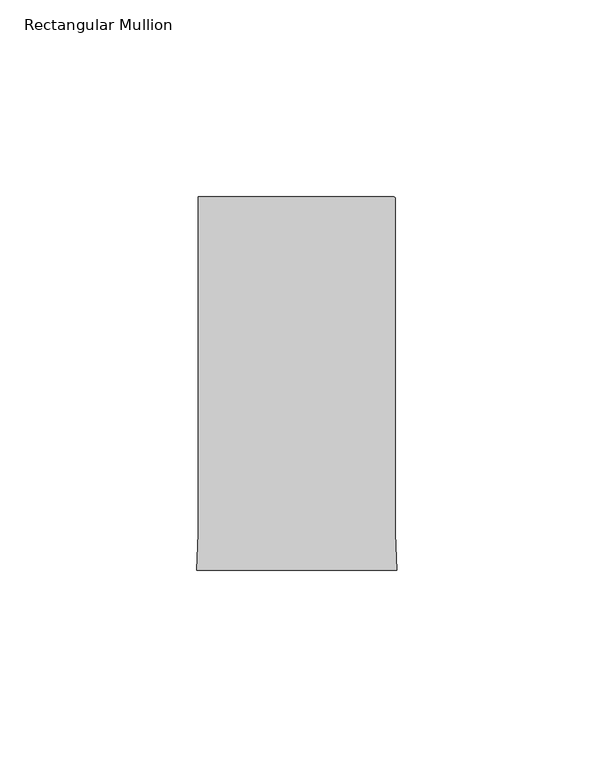
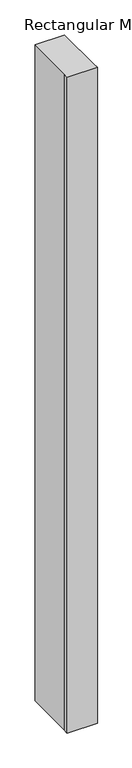
"""IFC4 building model written with IfcOpenShell, lengths in millimetres: member geometry, Rectangular Mullion."""

import ifcopenshell
import ifcopenshell.guid

model = None  # the IFC model being written
_history = None  # IfcOwnerHistory: only IFC2X3 demands one
_inside = {}  # id of a spatial element -> (the spatial element, [elements in it])
_under = {}  # id of a project, library or spatial element -> (it, [spatial elements below it])
_declared = {}  # id of a project -> (the project, [libraries it declares])
_typed = {}  # id of a type object -> (the type object, [elements of that type])
_made_of = {}  # id of a material, layer set ... -> (it, [elements and type objects made of it])


def new_model(schema):
    """Start an empty IFC model of exactly this schema.

    Asked for "IFC4X3", IfcOpenShell would pick the latest addendum, in which some entities
    have other attributes; the version numbers below select the first issue.
    IFC2X3 requires an IfcOwnerHistory on every rooted entity: one is made here for all.
    """
    global model, _history
    if schema == "IFC4X3":
        model = ifcopenshell.file(schema_version=(4, 3, 0, 0))
    else:
        model = ifcopenshell.file(schema=schema)
    _inside.clear()
    _under.clear()
    _declared.clear()
    _typed.clear()
    _made_of.clear()
    _history = None
    if model.schema == "IFC2X3":
        org = make("IfcOrganization", Name="unknown")
        user = make(
            "IfcPersonAndOrganization",
            ThePerson=make("IfcPerson", FamilyName="unknown"),
            TheOrganization=org,
        )
        app = make(
            "IfcApplication",
            ApplicationDeveloper=org,
            Version="unknown",
            ApplicationFullName="unknown",
            ApplicationIdentifier="unknown",
        )
        _history = make(
            "IfcOwnerHistory",
            OwningUser=user,
            OwningApplication=app,
            ChangeAction="ADDED",
            CreationDate=0,
        )
    return model


def make(cls, **values):
    """One entity of the class cls with the attributes given. An attribute that is None is left unset."""
    return model.create_entity(
        cls, **{name: value for name, value in values.items() if value is not None}
    )


def rooted(cls, **values):
    """An entity with a GlobalId (a new one), such as an element, a storey or a relation."""
    return make(cls, GlobalId=ifcopenshell.guid.new(), OwnerHistory=_history, **values)


def si_unit(unit_type, name, prefix=None):
    """IfcSIUnit, for example si_unit("LENGTHUNIT", "METRE", prefix="MILLI")."""
    return make("IfcSIUnit", UnitType=unit_type, Prefix=prefix, Name=name)


def assignment(units):
    """IfcUnitAssignment: the units of a project."""
    return None if units is None else make("IfcUnitAssignment", Units=units)


def point(xyz):
    """IfcCartesianPoint."""
    return None if xyz is None else make("IfcCartesianPoint", Coordinates=xyz)


def direction(xyz):
    """IfcDirection."""
    return None if xyz is None else make("IfcDirection", DirectionRatios=xyz)


def frame(location, z_axis=None, x_axis=None):
    """IfcAxis2Placement3D, a coordinate frame: its origin and axes. An axis left out is left unset."""
    return make(
        "IfcAxis2Placement3D",
        Location=point(location),
        Axis=direction(z_axis),
        RefDirection=direction(x_axis),
    )


def frame_2d(location, x_axis=None):
    """IfcAxis2Placement2D, a coordinate frame in the plane: its origin and x axis."""
    return make(
        "IfcAxis2Placement2D", Location=point(location), RefDirection=direction(x_axis)
    )


def origin():
    """The frame at (0, 0, 0) with its axes left unset."""
    return frame((0.0, 0.0, 0.0))


def place(relative_to, where):
    """IfcLocalPlacement: puts the frame where relative to a parent placement (None: the world)."""
    return make(
        "IfcLocalPlacement", PlacementRelTo=relative_to, RelativePlacement=where
    )


def context(
    kind, dimensions, precision=None, world=None, true_north=None, identifier=None
):
    """IfcGeometricRepresentationContext, for example the 3D "Model" context."""
    return make(
        "IfcGeometricRepresentationContext",
        ContextIdentifier=identifier,
        ContextType=kind,
        CoordinateSpaceDimension=dimensions,
        Precision=precision,
        WorldCoordinateSystem=world,
        TrueNorth=true_north,
    )


def project(units=None, contexts=None):
    """IfcProject with its units and contexts."""
    return rooted(
        "IfcProject",
        Name="project",
        RepresentationContexts=contexts,
        UnitsInContext=assignment(units),
    )


def spatial(cls, under=None, at=None, **own):
    """A site, building, storey or space (cls), placed at a placement, below another one or the project."""
    s = rooted(cls, ObjectPlacement=at, **own)
    if under is not None:
        _under.setdefault(under.id(), (under, []))[1].append(s)
    return s


def polyline(points):
    """IfcPolyline through the points."""
    return make("IfcPolyline", Points=[point(p) for p in points])


def circle_curve(where, radius):
    """IfcCircle in the frame where."""
    return make("IfcCircle", Position=where, Radius=radius)


def trimmed(basis, trim1, trim2, sense, master):
    """IfcTrimmedCurve: the piece of a basis curve between two trims."""
    return make(
        "IfcTrimmedCurve",
        BasisCurve=basis,
        Trim1=trim1,
        Trim2=trim2,
        SenseAgreement=sense,
        MasterRepresentation=master,
    )


def segment(curve, same_sense, transition):
    """IfcCompositeCurveSegment."""
    return make(
        "IfcCompositeCurveSegment",
        Transition=transition,
        SameSense=same_sense,
        ParentCurve=curve,
    )


def composite_curve(segments, self_intersect=None):
    """IfcCompositeCurve: segments joined end to end."""
    return make("IfcCompositeCurve", Segments=segments, SelfIntersect=self_intersect)


def outline(outer, holes=None, kind="AREA"):
    """IfcArbitraryClosedProfileDef: a profile drawn as a closed curve; with holes, ...WithVoids."""
    if holes is None:
        return make("IfcArbitraryClosedProfileDef", ProfileType=kind, OuterCurve=outer)
    return make(
        "IfcArbitraryProfileDefWithVoids",
        ProfileType=kind,
        OuterCurve=outer,
        InnerCurves=holes,
    )


def extrude(swept, where, along, depth):
    """IfcExtrudedAreaSolid: the profile swept, set in the frame where, extruded along a direction by depth."""
    return make(
        "IfcExtrudedAreaSolid",
        SweptArea=swept,
        Position=where,
        ExtrudedDirection=direction(along),
        Depth=depth,
    )


def shape(context_of_items, identifier, shape_type, items):
    """IfcShapeRepresentation: the items that make up one representation, for example the "Body"."""
    return make(
        "IfcShapeRepresentation",
        ContextOfItems=context_of_items,
        RepresentationIdentifier=identifier,
        RepresentationType=shape_type,
        Items=items,
    )


def source(mapping_origin, context_of_items, identifier, shape_type, items):
    """IfcRepresentationMap: a shape defined once, which mapped items show again and again."""
    return make(
        "IfcRepresentationMap",
        MappingOrigin=mapping_origin,
        MappedRepresentation=shape(context_of_items, identifier, shape_type, items),
    )


def transform(
    local_origin,
    x_axis=None,
    y_axis=None,
    z_axis=None,
    scale=None,
    scale2=None,
    scale3=None,
    uniform=True,
):
    """IfcCartesianTransformationOperator3D, or its non-uniform kind. x_axis, y_axis, z_axis: its Axis1, 2, 3."""
    if uniform:
        return make(
            "IfcCartesianTransformationOperator3D",
            Axis1=direction(x_axis),
            Axis2=direction(y_axis),
            LocalOrigin=point(local_origin),
            Scale=scale,
            Axis3=direction(z_axis),
        )
    return make(
        "IfcCartesianTransformationOperator3DnonUniform",
        Axis1=direction(x_axis),
        Axis2=direction(y_axis),
        LocalOrigin=point(local_origin),
        Scale=scale,
        Axis3=direction(z_axis),
        Scale2=scale2,
        Scale3=scale3,
    )


def mapped(mapping_source, mapping_target):
    """IfcMappedItem: shows the shape of a source again, moved by a transform."""
    return make(
        "IfcMappedItem", MappingSource=mapping_source, MappingTarget=mapping_target
    )


def made_of(thing, what):
    """Note that an element or type object is made of a material, layer set ...; save() writes the relation."""
    if what is not None:
        _made_of.setdefault(what.id(), (what, []))[1].append(thing)
    return thing


def element(
    cls,
    number,
    at=None,
    inside=None,
    cuts=None,
    type_object=None,
    material=None,
    context=None,
    identifier="Body",
    shape_type=None,
    held_by="IfcProductDefinitionShape",
    body=None,
    shapes=None,
    **own,
):
    """One element of the class cls, such as IfcWall. Its Tag is "e" and its number.

    at: its placement. inside: the storey or other place that contains it. cuts: it is an
    opening in that element (IfcRelVoidsElement). A single representation is given by context,
    identifier, shape_type and body (its items); several are given by shapes. held_by: the class
    of the entity that holds the representations. save() writes the other relations.
    """
    e = rooted(cls, Tag="e%d" % number, ObjectPlacement=at, **own)
    if body is not None:
        shapes = [shape(context, identifier, shape_type, body)]
    if shapes is not None:
        e.Representation = make(held_by, Representations=shapes)
    if inside is not None:
        _inside.setdefault(inside.id(), (inside, []))[1].append(e)
    if cuts is not None:
        rooted(
            "IfcRelVoidsElement", RelatingBuildingElement=cuts, RelatedOpeningElement=e
        )
    if type_object is not None:
        _typed.setdefault(type_object.id(), (type_object, []))[1].append(e)
    return made_of(e, material)


def aggregate(whole, parts):
    """IfcRelAggregates: a whole, such as a stair, and the parts it consists of."""
    return rooted("IfcRelAggregates", RelatingObject=whole, RelatedObjects=parts)


def save(model, path):
    """Write the relations noted so far, then the file.

    IfcRelAggregates (storeys below a building ...), IfcRelContainedInSpatialStructure (elements
    in a storey), IfcRelDefinesByType, IfcRelAssociatesMaterial and IfcRelDeclares: one each for
    every whole, place, type object, material and project.
    """
    for whole, parts in _under.values():
        aggregate(whole, parts)
    for where, things in _inside.values():
        rooted(
            "IfcRelContainedInSpatialStructure",
            RelatedElements=things,
            RelatingStructure=where,
        )
    for kind, things in _typed.values():
        rooted("IfcRelDefinesByType", RelatedObjects=things, RelatingType=kind)
    for what, things in _made_of.values():
        rooted("IfcRelAssociatesMaterial", RelatedObjects=things, RelatingMaterial=what)
    for by, libraries in _declared.values():
        rooted("IfcRelDeclares", RelatingContext=by, RelatedDefinitions=libraries)
    model.write(path)


def rectangular_mullion_b84ec5f3(model_context):
    return source(origin(), model_context, "Body", "SweptSolid", [
        extrude(outline(composite_curve([segment(polyline([(-25.0000004, 108.995434), (24.4999996, 108.995434)]), True, "CONTINUOUS"), segment(trimmed(circle_curve(frame_2d((24.4999996, 108.495434)), 0.5), [point((24.4999996, 108.995434))], [point((24.9999996, 108.495434))], False, "CARTESIAN"), True, "CONTINUOUS"), segment(polyline([(24.9999996, 108.495434), (24.9999996, 23.4857005), (25.4480462, 14.0), (-25.448047, 14.0), (-25.0000004, 23.4857005), (-25.0000004, 108.995434)]), True, "CONTINUOUS")], self_intersect=False)), frame((0.0, 0.0, -1171.326129), z_axis=(0.0, 0.0, 1.0), x_axis=(1.0, 0.0, 0.0)), (0.0, 0.0, 1.0), 1171.326129),
    ])


if __name__ == "__main__":
    model = new_model("IFC4")
    model_context = context("Model", 3, world=origin())
    ifc_project = project(units=[si_unit("LENGTHUNIT", "METRE", prefix="MILLI")], contexts=[model_context])
    site = spatial("IfcSite", under=ifc_project)
    building = spatial("IfcBuilding", under=site)
    placement = place(None, origin())
    rectangular_mullion_shape = rectangular_mullion_b84ec5f3(model_context)
    element("IfcMember", 1, ObjectType="Rectangular Mullion", at=placement, inside=building, context=model_context, shape_type="MappedRepresentation", body=[
        mapped(rectangular_mullion_shape, transform((0.0, 0.0, 0.0), x_axis=(1.0, 0.0, 0.0), y_axis=(0.0, 1.0, 0.0), z_axis=(0.0, 0.0, 1.0))),
    ])
    save(model, "model.ifc")
